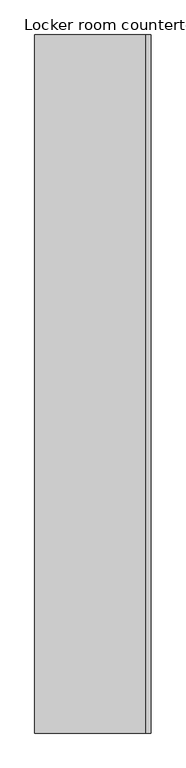
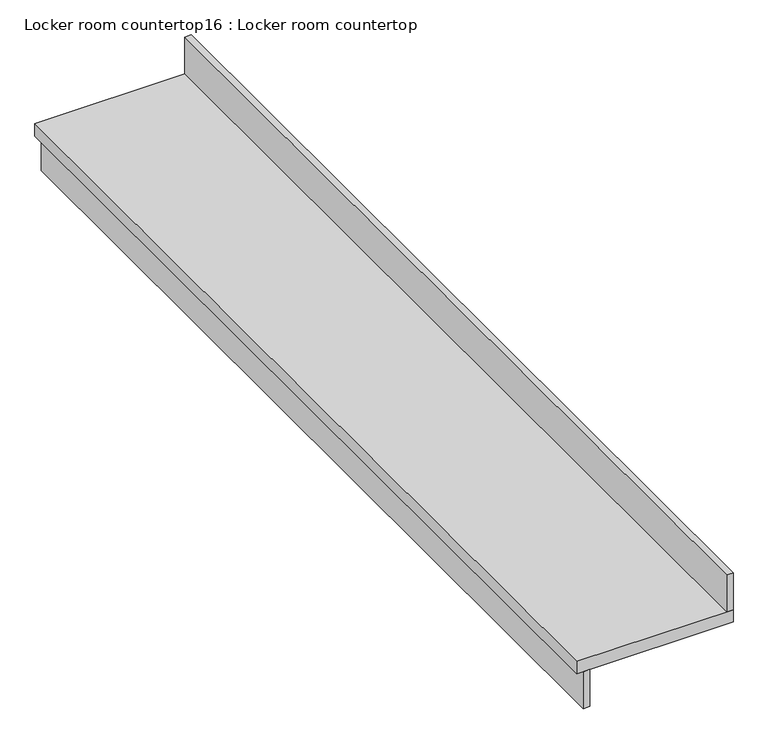
"""IFC4 building model written with IfcOpenShell, lengths in millimetres: furniture geometry, Locker room countertop16 : Locker room countertop."""

from ifc_helpers import new_model, si_unit, frame, origin, place, context, project, spatial, polyline, outline, extrude, source, transform, mapped, element, save


def locker_room_countertop16_locker_room_countertop_1cc6bee1(model_context):
    return source(origin(), model_context, "Body", "SweptSolid", [
        extrude(outline(polyline([(473984.4254676, -324324.8899954), (474009.8254676, -324324.8899954), (474009.8254676, -327982.4899954), (473984.4254676, -327982.4899954), (473984.4254676, -324324.8899954)])), frame((0.0, 0.0, 660.4), z_axis=(0.0, 0.0, 1.0), x_axis=(1.0, 0.0, 0.0)), (0.0, 0.0, 1.0), 152.4),
        extrude(outline(polyline([(474543.2254676, -327982.4899955), (474543.2254676, -324324.8899954), (474568.6254676, -324324.8899954), (474568.6254676, -327982.4899955), (474543.2254676, -327982.4899955)])), frame((0.0, 0.0, 863.6), z_axis=(0.0, 0.0, 1.0), x_axis=(1.0, 0.0, 0.0)), (0.0, 0.0, 1.0), 152.4),
        extrude(outline(polyline([(473959.0254676, -327982.4899955), (473959.0254676, -324324.8899954), (474568.6254676, -324324.8899954), (474568.6254676, -327982.4899955), (473959.0254676, -327982.4899955)])), frame((0.0, 0.0, 812.8), z_axis=(0.0, 0.0, 1.0), x_axis=(1.0, 0.0, 0.0)), (0.0, 0.0, 1.0), 50.8),
    ])


if __name__ == "__main__":
    model = new_model("IFC4")
    model_context = context("Model", 3, world=origin())
    ifc_project = project(units=[si_unit("LENGTHUNIT", "METRE", prefix="MILLI")], contexts=[model_context])
    site = spatial("IfcSite", under=ifc_project)
    building = spatial("IfcBuilding", under=site)
    placement = place(None, origin())
    locker_room_countertop16_locker_room_countertop_shape = locker_room_countertop16_locker_room_countertop_1cc6bee1(model_context)
    element("IfcFurniture", 1, ObjectType="Locker room countertop16 : Locker room countertop", at=placement, inside=building, context=model_context, shape_type="MappedRepresentation", body=[
        mapped(locker_room_countertop16_locker_room_countertop_shape, transform((0.0, 0.0, 0.0), x_axis=(1.0, 0.0, 0.0), y_axis=(0.0, 1.0, 0.0), z_axis=(0.0, 0.0, 1.0))),
    ])
    save(model, "model.ifc")
